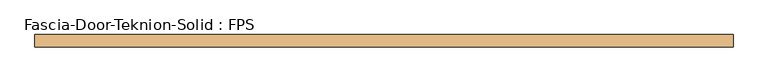
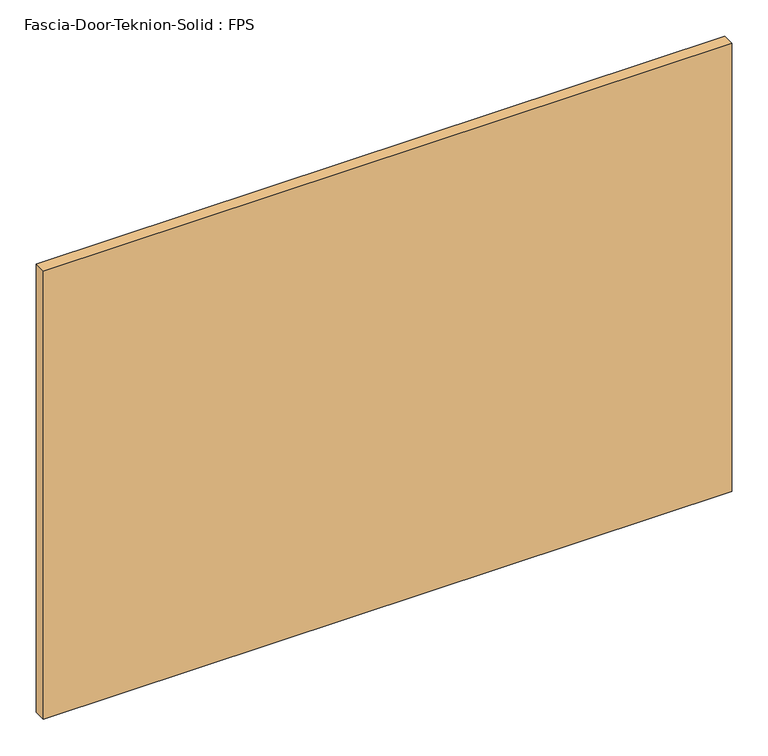
"""IFC4 building model written with IfcOpenShell, lengths in millimetres: door geometry, Fascia-Door-Teknion-Solid : FPS."""

import ifcopenshell
import ifcopenshell.guid

model = None  # the IFC model being written
_history = None  # IfcOwnerHistory: only IFC2X3 demands one
_inside = {}  # id of a spatial element -> (the spatial element, [elements in it])
_under = {}  # id of a project, library or spatial element -> (it, [spatial elements below it])
_declared = {}  # id of a project -> (the project, [libraries it declares])
_typed = {}  # id of a type object -> (the type object, [elements of that type])
_made_of = {}  # id of a material, layer set ... -> (it, [elements and type objects made of it])


def new_model(schema):
    """Start an empty IFC model of exactly this schema.

    Asked for "IFC4X3", IfcOpenShell would pick the latest addendum, in which some entities
    have other attributes; the version numbers below select the first issue.
    IFC2X3 requires an IfcOwnerHistory on every rooted entity: one is made here for all.
    """
    global model, _history
    if schema == "IFC4X3":
        model = ifcopenshell.file(schema_version=(4, 3, 0, 0))
    else:
        model = ifcopenshell.file(schema=schema)
    _inside.clear()
    _under.clear()
    _declared.clear()
    _typed.clear()
    _made_of.clear()
    _history = None
    if model.schema == "IFC2X3":
        org = make("IfcOrganization", Name="unknown")
        user = make(
            "IfcPersonAndOrganization",
            ThePerson=make("IfcPerson", FamilyName="unknown"),
            TheOrganization=org,
        )
        app = make(
            "IfcApplication",
            ApplicationDeveloper=org,
            Version="unknown",
            ApplicationFullName="unknown",
            ApplicationIdentifier="unknown",
        )
        _history = make(
            "IfcOwnerHistory",
            OwningUser=user,
            OwningApplication=app,
            ChangeAction="ADDED",
            CreationDate=0,
        )
    return model


def make(cls, **values):
    """One entity of the class cls with the attributes given. An attribute that is None is left unset."""
    return model.create_entity(
        cls, **{name: value for name, value in values.items() if value is not None}
    )


def rooted(cls, **values):
    """An entity with a GlobalId (a new one), such as an element, a storey or a relation."""
    return make(cls, GlobalId=ifcopenshell.guid.new(), OwnerHistory=_history, **values)


def si_unit(unit_type, name, prefix=None):
    """IfcSIUnit, for example si_unit("LENGTHUNIT", "METRE", prefix="MILLI")."""
    return make("IfcSIUnit", UnitType=unit_type, Prefix=prefix, Name=name)


def assignment(units):
    """IfcUnitAssignment: the units of a project."""
    return None if units is None else make("IfcUnitAssignment", Units=units)


def point(xyz):
    """IfcCartesianPoint."""
    return None if xyz is None else make("IfcCartesianPoint", Coordinates=xyz)


def direction(xyz):
    """IfcDirection."""
    return None if xyz is None else make("IfcDirection", DirectionRatios=xyz)


def frame(location, z_axis=None, x_axis=None):
    """IfcAxis2Placement3D, a coordinate frame: its origin and axes. An axis left out is left unset."""
    return make(
        "IfcAxis2Placement3D",
        Location=point(location),
        Axis=direction(z_axis),
        RefDirection=direction(x_axis),
    )


def origin():
    """The frame at (0, 0, 0) with its axes left unset."""
    return frame((0.0, 0.0, 0.0))


def place(relative_to, where):
    """IfcLocalPlacement: puts the frame where relative to a parent placement (None: the world)."""
    return make(
        "IfcLocalPlacement", PlacementRelTo=relative_to, RelativePlacement=where
    )


def context(
    kind, dimensions, precision=None, world=None, true_north=None, identifier=None
):
    """IfcGeometricRepresentationContext, for example the 3D "Model" context."""
    return make(
        "IfcGeometricRepresentationContext",
        ContextIdentifier=identifier,
        ContextType=kind,
        CoordinateSpaceDimension=dimensions,
        Precision=precision,
        WorldCoordinateSystem=world,
        TrueNorth=true_north,
    )


def project(units=None, contexts=None):
    """IfcProject with its units and contexts."""
    return rooted(
        "IfcProject",
        Name="project",
        RepresentationContexts=contexts,
        UnitsInContext=assignment(units),
    )


def spatial(cls, under=None, at=None, **own):
    """A site, building, storey or space (cls), placed at a placement, below another one or the project."""
    s = rooted(cls, ObjectPlacement=at, **own)
    if under is not None:
        _under.setdefault(under.id(), (under, []))[1].append(s)
    return s


def polyline(points):
    """IfcPolyline through the points."""
    return make("IfcPolyline", Points=[point(p) for p in points])


def outline(outer, holes=None, kind="AREA"):
    """IfcArbitraryClosedProfileDef: a profile drawn as a closed curve; with holes, ...WithVoids."""
    if holes is None:
        return make("IfcArbitraryClosedProfileDef", ProfileType=kind, OuterCurve=outer)
    return make(
        "IfcArbitraryProfileDefWithVoids",
        ProfileType=kind,
        OuterCurve=outer,
        InnerCurves=holes,
    )


def extrude(swept, where, along, depth):
    """IfcExtrudedAreaSolid: the profile swept, set in the frame where, extruded along a direction by depth."""
    return make(
        "IfcExtrudedAreaSolid",
        SweptArea=swept,
        Position=where,
        ExtrudedDirection=direction(along),
        Depth=depth,
    )


def shape(context_of_items, identifier, shape_type, items):
    """IfcShapeRepresentation: the items that make up one representation, for example the "Body"."""
    return make(
        "IfcShapeRepresentation",
        ContextOfItems=context_of_items,
        RepresentationIdentifier=identifier,
        RepresentationType=shape_type,
        Items=items,
    )


def source(mapping_origin, context_of_items, identifier, shape_type, items):
    """IfcRepresentationMap: a shape defined once, which mapped items show again and again."""
    return make(
        "IfcRepresentationMap",
        MappingOrigin=mapping_origin,
        MappedRepresentation=shape(context_of_items, identifier, shape_type, items),
    )


def transform(
    local_origin,
    x_axis=None,
    y_axis=None,
    z_axis=None,
    scale=None,
    scale2=None,
    scale3=None,
    uniform=True,
):
    """IfcCartesianTransformationOperator3D, or its non-uniform kind. x_axis, y_axis, z_axis: its Axis1, 2, 3."""
    if uniform:
        return make(
            "IfcCartesianTransformationOperator3D",
            Axis1=direction(x_axis),
            Axis2=direction(y_axis),
            LocalOrigin=point(local_origin),
            Scale=scale,
            Axis3=direction(z_axis),
        )
    return make(
        "IfcCartesianTransformationOperator3DnonUniform",
        Axis1=direction(x_axis),
        Axis2=direction(y_axis),
        LocalOrigin=point(local_origin),
        Scale=scale,
        Axis3=direction(z_axis),
        Scale2=scale2,
        Scale3=scale3,
    )


def mapped(mapping_source, mapping_target):
    """IfcMappedItem: shows the shape of a source again, moved by a transform."""
    return make(
        "IfcMappedItem", MappingSource=mapping_source, MappingTarget=mapping_target
    )


def made_of(thing, what):
    """Note that an element or type object is made of a material, layer set ...; save() writes the relation."""
    if what is not None:
        _made_of.setdefault(what.id(), (what, []))[1].append(thing)
    return thing


def element(
    cls,
    number,
    at=None,
    inside=None,
    cuts=None,
    type_object=None,
    material=None,
    context=None,
    identifier="Body",
    shape_type=None,
    held_by="IfcProductDefinitionShape",
    body=None,
    shapes=None,
    **own,
):
    """One element of the class cls, such as IfcWall. Its Tag is "e" and its number.

    at: its placement. inside: the storey or other place that contains it. cuts: it is an
    opening in that element (IfcRelVoidsElement). A single representation is given by context,
    identifier, shape_type and body (its items); several are given by shapes. held_by: the class
    of the entity that holds the representations. save() writes the other relations.
    """
    e = rooted(cls, Tag="e%d" % number, ObjectPlacement=at, **own)
    if body is not None:
        shapes = [shape(context, identifier, shape_type, body)]
    if shapes is not None:
        e.Representation = make(held_by, Representations=shapes)
    if inside is not None:
        _inside.setdefault(inside.id(), (inside, []))[1].append(e)
    if cuts is not None:
        rooted(
            "IfcRelVoidsElement", RelatingBuildingElement=cuts, RelatedOpeningElement=e
        )
    if type_object is not None:
        _typed.setdefault(type_object.id(), (type_object, []))[1].append(e)
    return made_of(e, material)


def aggregate(whole, parts):
    """IfcRelAggregates: a whole, such as a stair, and the parts it consists of."""
    return rooted("IfcRelAggregates", RelatingObject=whole, RelatedObjects=parts)


def save(model, path):
    """Write the relations noted so far, then the file.

    IfcRelAggregates (storeys below a building ...), IfcRelContainedInSpatialStructure (elements
    in a storey), IfcRelDefinesByType, IfcRelAssociatesMaterial and IfcRelDeclares: one each for
    every whole, place, type object, material and project.
    """
    for whole, parts in _under.values():
        aggregate(whole, parts)
    for where, things in _inside.values():
        rooted(
            "IfcRelContainedInSpatialStructure",
            RelatedElements=things,
            RelatingStructure=where,
        )
    for kind, things in _typed.values():
        rooted("IfcRelDefinesByType", RelatedObjects=things, RelatingType=kind)
    for what, things in _made_of.values():
        rooted("IfcRelAssociatesMaterial", RelatedObjects=things, RelatingMaterial=what)
    for by, libraries in _declared.values():
        rooted("IfcRelDeclares", RelatingContext=by, RelatedDefinitions=libraries)
    model.write(path)


def fascia_door_teknion_solid_fps_55af6ed7(model_context):
    return source(origin(), model_context, "Body", "SweptSolid", [
        extrude(outline(polyline([(544.8101563, 0.0), (544.8101563, -19.05), (-544.8101562, -19.05), (-544.8101562, 0.0), (544.8101563, 0.0)])), frame((0.0, 0.0, 3.175), z_axis=(0.0, 0.0, 1.0), x_axis=(1.0, 0.0, 0.0)), (0.0, 0.0, 1.0), 750.57),
    ])


if __name__ == "__main__":
    model = new_model("IFC4")
    model_context = context("Model", 3, world=origin())
    ifc_project = project(units=[si_unit("LENGTHUNIT", "METRE", prefix="MILLI")], contexts=[model_context])
    site = spatial("IfcSite", under=ifc_project)
    building = spatial("IfcBuilding", under=site)
    placement = place(None, origin())
    fascia_door_teknion_solid_fps_shape = fascia_door_teknion_solid_fps_55af6ed7(model_context)
    element("IfcDoor", 1, ObjectType="Fascia-Door-Teknion-Solid : FPS", at=placement, inside=building, context=model_context, shape_type="MappedRepresentation", body=[
        mapped(fascia_door_teknion_solid_fps_shape, transform((0.0, 0.0, 0.0), x_axis=(1.0, 0.0, 0.0), y_axis=(0.0, 1.0, 0.0), z_axis=(0.0, 0.0, 1.0))),
    ])
    save(model, "model.ifc")
